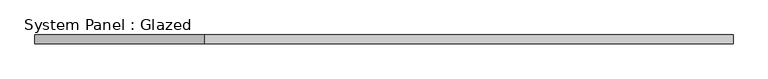
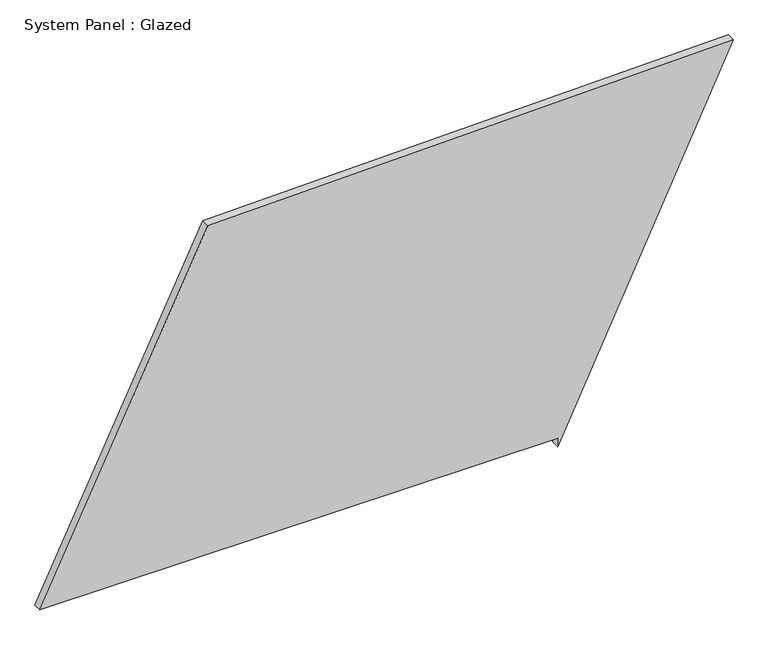
"""IFC4 building model written with IfcOpenShell, lengths in millimetres: plate geometry, System Panel : Glazed."""

import ifcopenshell
import ifcopenshell.guid

model = None  # the IFC model being written
_history = None  # IfcOwnerHistory: only IFC2X3 demands one
_inside = {}  # id of a spatial element -> (the spatial element, [elements in it])
_under = {}  # id of a project, library or spatial element -> (it, [spatial elements below it])
_declared = {}  # id of a project -> (the project, [libraries it declares])
_typed = {}  # id of a type object -> (the type object, [elements of that type])
_made_of = {}  # id of a material, layer set ... -> (it, [elements and type objects made of it])


def new_model(schema):
    """Start an empty IFC model of exactly this schema.

    Asked for "IFC4X3", IfcOpenShell would pick the latest addendum, in which some entities
    have other attributes; the version numbers below select the first issue.
    IFC2X3 requires an IfcOwnerHistory on every rooted entity: one is made here for all.
    """
    global model, _history
    if schema == "IFC4X3":
        model = ifcopenshell.file(schema_version=(4, 3, 0, 0))
    else:
        model = ifcopenshell.file(schema=schema)
    _inside.clear()
    _under.clear()
    _declared.clear()
    _typed.clear()
    _made_of.clear()
    _history = None
    if model.schema == "IFC2X3":
        org = make("IfcOrganization", Name="unknown")
        user = make(
            "IfcPersonAndOrganization",
            ThePerson=make("IfcPerson", FamilyName="unknown"),
            TheOrganization=org,
        )
        app = make(
            "IfcApplication",
            ApplicationDeveloper=org,
            Version="unknown",
            ApplicationFullName="unknown",
            ApplicationIdentifier="unknown",
        )
        _history = make(
            "IfcOwnerHistory",
            OwningUser=user,
            OwningApplication=app,
            ChangeAction="ADDED",
            CreationDate=0,
        )
    return model


def make(cls, **values):
    """One entity of the class cls with the attributes given. An attribute that is None is left unset."""
    return model.create_entity(
        cls, **{name: value for name, value in values.items() if value is not None}
    )


def rooted(cls, **values):
    """An entity with a GlobalId (a new one), such as an element, a storey or a relation."""
    return make(cls, GlobalId=ifcopenshell.guid.new(), OwnerHistory=_history, **values)


def si_unit(unit_type, name, prefix=None):
    """IfcSIUnit, for example si_unit("LENGTHUNIT", "METRE", prefix="MILLI")."""
    return make("IfcSIUnit", UnitType=unit_type, Prefix=prefix, Name=name)


def assignment(units):
    """IfcUnitAssignment: the units of a project."""
    return None if units is None else make("IfcUnitAssignment", Units=units)


def point(xyz):
    """IfcCartesianPoint."""
    return None if xyz is None else make("IfcCartesianPoint", Coordinates=xyz)


def direction(xyz):
    """IfcDirection."""
    return None if xyz is None else make("IfcDirection", DirectionRatios=xyz)


def frame(location, z_axis=None, x_axis=None):
    """IfcAxis2Placement3D, a coordinate frame: its origin and axes. An axis left out is left unset."""
    return make(
        "IfcAxis2Placement3D",
        Location=point(location),
        Axis=direction(z_axis),
        RefDirection=direction(x_axis),
    )


def origin():
    """The frame at (0, 0, 0) with its axes left unset."""
    return frame((0.0, 0.0, 0.0))


def place(relative_to, where):
    """IfcLocalPlacement: puts the frame where relative to a parent placement (None: the world)."""
    return make(
        "IfcLocalPlacement", PlacementRelTo=relative_to, RelativePlacement=where
    )


def context(
    kind, dimensions, precision=None, world=None, true_north=None, identifier=None
):
    """IfcGeometricRepresentationContext, for example the 3D "Model" context."""
    return make(
        "IfcGeometricRepresentationContext",
        ContextIdentifier=identifier,
        ContextType=kind,
        CoordinateSpaceDimension=dimensions,
        Precision=precision,
        WorldCoordinateSystem=world,
        TrueNorth=true_north,
    )


def project(units=None, contexts=None):
    """IfcProject with its units and contexts."""
    return rooted(
        "IfcProject",
        Name="project",
        RepresentationContexts=contexts,
        UnitsInContext=assignment(units),
    )


def spatial(cls, under=None, at=None, **own):
    """A site, building, storey or space (cls), placed at a placement, below another one or the project."""
    s = rooted(cls, ObjectPlacement=at, **own)
    if under is not None:
        _under.setdefault(under.id(), (under, []))[1].append(s)
    return s


def polyline(points):
    """IfcPolyline through the points."""
    return make("IfcPolyline", Points=[point(p) for p in points])


def outline(outer, holes=None, kind="AREA"):
    """IfcArbitraryClosedProfileDef: a profile drawn as a closed curve; with holes, ...WithVoids."""
    if holes is None:
        return make("IfcArbitraryClosedProfileDef", ProfileType=kind, OuterCurve=outer)
    return make(
        "IfcArbitraryProfileDefWithVoids",
        ProfileType=kind,
        OuterCurve=outer,
        InnerCurves=holes,
    )


def extrude(swept, where, along, depth):
    """IfcExtrudedAreaSolid: the profile swept, set in the frame where, extruded along a direction by depth."""
    return make(
        "IfcExtrudedAreaSolid",
        SweptArea=swept,
        Position=where,
        ExtrudedDirection=direction(along),
        Depth=depth,
    )


def shape(context_of_items, identifier, shape_type, items):
    """IfcShapeRepresentation: the items that make up one representation, for example the "Body"."""
    return make(
        "IfcShapeRepresentation",
        ContextOfItems=context_of_items,
        RepresentationIdentifier=identifier,
        RepresentationType=shape_type,
        Items=items,
    )


def source(mapping_origin, context_of_items, identifier, shape_type, items):
    """IfcRepresentationMap: a shape defined once, which mapped items show again and again."""
    return make(
        "IfcRepresentationMap",
        MappingOrigin=mapping_origin,
        MappedRepresentation=shape(context_of_items, identifier, shape_type, items),
    )


def transform(
    local_origin,
    x_axis=None,
    y_axis=None,
    z_axis=None,
    scale=None,
    scale2=None,
    scale3=None,
    uniform=True,
):
    """IfcCartesianTransformationOperator3D, or its non-uniform kind. x_axis, y_axis, z_axis: its Axis1, 2, 3."""
    if uniform:
        return make(
            "IfcCartesianTransformationOperator3D",
            Axis1=direction(x_axis),
            Axis2=direction(y_axis),
            LocalOrigin=point(local_origin),
            Scale=scale,
            Axis3=direction(z_axis),
        )
    return make(
        "IfcCartesianTransformationOperator3DnonUniform",
        Axis1=direction(x_axis),
        Axis2=direction(y_axis),
        LocalOrigin=point(local_origin),
        Scale=scale,
        Axis3=direction(z_axis),
        Scale2=scale2,
        Scale3=scale3,
    )


def mapped(mapping_source, mapping_target):
    """IfcMappedItem: shows the shape of a source again, moved by a transform."""
    return make(
        "IfcMappedItem", MappingSource=mapping_source, MappingTarget=mapping_target
    )


def made_of(thing, what):
    """Note that an element or type object is made of a material, layer set ...; save() writes the relation."""
    if what is not None:
        _made_of.setdefault(what.id(), (what, []))[1].append(thing)
    return thing


def element(
    cls,
    number,
    at=None,
    inside=None,
    cuts=None,
    type_object=None,
    material=None,
    context=None,
    identifier="Body",
    shape_type=None,
    held_by="IfcProductDefinitionShape",
    body=None,
    shapes=None,
    **own,
):
    """One element of the class cls, such as IfcWall. Its Tag is "e" and its number.

    at: its placement. inside: the storey or other place that contains it. cuts: it is an
    opening in that element (IfcRelVoidsElement). A single representation is given by context,
    identifier, shape_type and body (its items); several are given by shapes. held_by: the class
    of the entity that holds the representations. save() writes the other relations.
    """
    e = rooted(cls, Tag="e%d" % number, ObjectPlacement=at, **own)
    if body is not None:
        shapes = [shape(context, identifier, shape_type, body)]
    if shapes is not None:
        e.Representation = make(held_by, Representations=shapes)
    if inside is not None:
        _inside.setdefault(inside.id(), (inside, []))[1].append(e)
    if cuts is not None:
        rooted(
            "IfcRelVoidsElement", RelatingBuildingElement=cuts, RelatedOpeningElement=e
        )
    if type_object is not None:
        _typed.setdefault(type_object.id(), (type_object, []))[1].append(e)
    return made_of(e, material)


def aggregate(whole, parts):
    """IfcRelAggregates: a whole, such as a stair, and the parts it consists of."""
    return rooted("IfcRelAggregates", RelatingObject=whole, RelatedObjects=parts)


def save(model, path):
    """Write the relations noted so far, then the file.

    IfcRelAggregates (storeys below a building ...), IfcRelContainedInSpatialStructure (elements
    in a storey), IfcRelDefinesByType, IfcRelAssociatesMaterial and IfcRelDeclares: one each for
    every whole, place, type object, material and project.
    """
    for whole, parts in _under.values():
        aggregate(whole, parts)
    for where, things in _inside.values():
        rooted(
            "IfcRelContainedInSpatialStructure",
            RelatedElements=things,
            RelatingStructure=where,
        )
    for kind, things in _typed.values():
        rooted("IfcRelDefinesByType", RelatedObjects=things, RelatingType=kind)
    for what, things in _made_of.values():
        rooted("IfcRelAssociatesMaterial", RelatedObjects=things, RelatingMaterial=what)
    for by, libraries in _declared.values():
        rooted("IfcRelDeclares", RelatingContext=by, RelatedDefinitions=libraries)
    model.write(path)


def system_panel_glazed_bd1b0fb4(model_context):
    return source(origin(), model_context, "Body", "SweptSolid", [
        extrude(outline(polyline([(25.0, 498.1072215), (0.0, 498.1072215), (1072.9388083, 1008.8824983), (1036.1814623, -520.0734254), (25.0, -1008.8824983), (25.0, 498.1072215)])), frame((0.0, -49.5, 0.0), z_axis=(0.0, 1.0, 0.0), x_axis=(0.0, 0.0, 1.0)), (0.0, 0.0, 1.0), 25.0),
    ])


if __name__ == "__main__":
    model = new_model("IFC4")
    model_context = context("Model", 3, world=origin())
    ifc_project = project(units=[si_unit("LENGTHUNIT", "METRE", prefix="MILLI")], contexts=[model_context])
    site = spatial("IfcSite", under=ifc_project)
    building = spatial("IfcBuilding", under=site)
    placement = place(None, origin())
    system_panel_glazed_shape = system_panel_glazed_bd1b0fb4(model_context)
    element("IfcPlate", 1, ObjectType="System Panel : Glazed", at=placement, inside=building, context=model_context, shape_type="MappedRepresentation", body=[
        mapped(system_panel_glazed_shape, transform((0.0, 0.0, 0.0), x_axis=(1.0, 0.0, 0.0), y_axis=(0.0, 1.0, 0.0), z_axis=(0.0, 0.0, 1.0))),
    ])
    save(model, "model.ifc")
